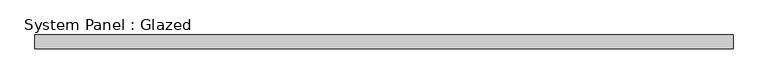
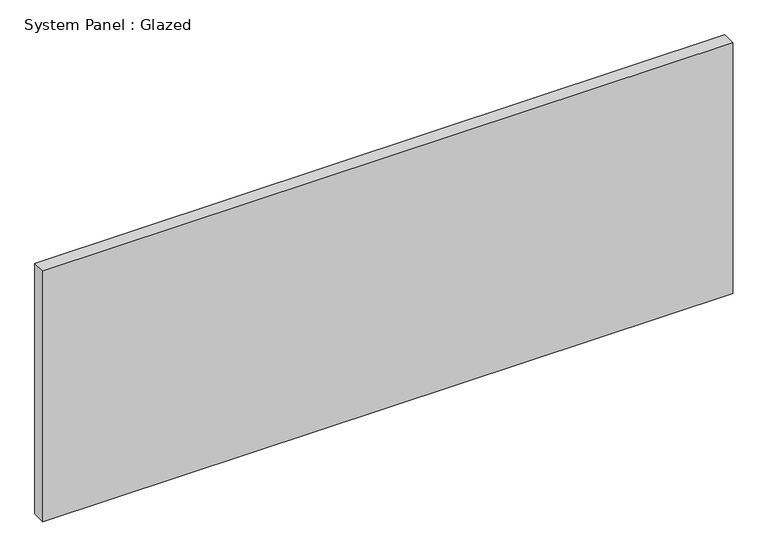
"""IFC4 building model written with IfcOpenShell, lengths in millimetres: plate geometry, System Panel : Glazed."""

from ifc_helpers import new_model, si_unit, origin, origin_with_axes, place, context, project, spatial, polyline, outline, extrude, source, transform, mapped, element, save


def system_panel_glazed_b03d23f4(model_context):
    return source(origin(), model_context, "Body", "SweptSolid", [
        extrude(outline(polyline([(645.7083333, -44.45), (-645.7083333, -44.45), (-645.7083333, -19.05), (645.7083333, -19.05), (645.7083333, -44.45)])), origin_with_axes(), (0.0, 0.0, 1.0), 496.35),
    ])


if __name__ == "__main__":
    model = new_model("IFC4")
    model_context = context("Model", 3, world=origin())
    ifc_project = project(units=[si_unit("LENGTHUNIT", "METRE", prefix="MILLI")], contexts=[model_context])
    site = spatial("IfcSite", under=ifc_project)
    building = spatial("IfcBuilding", under=site)
    placement = place(None, origin())
    system_panel_glazed_shape = system_panel_glazed_b03d23f4(model_context)
    element("IfcPlate", 1, ObjectType="System Panel : Glazed", at=placement, inside=building, context=model_context, shape_type="MappedRepresentation", body=[
        mapped(system_panel_glazed_shape, transform((0.0, 0.0, 0.0), x_axis=(1.0, 0.0, 0.0), y_axis=(0.0, 1.0, 0.0), z_axis=(0.0, 0.0, 1.0))),
    ])
    save(model, "model.ifc")
